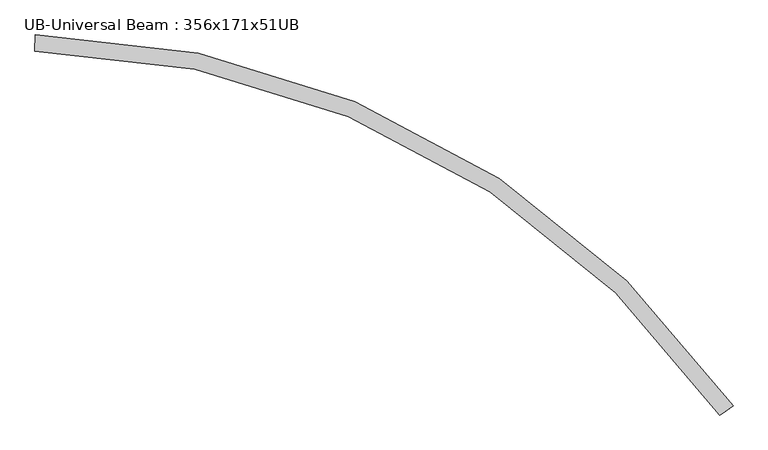
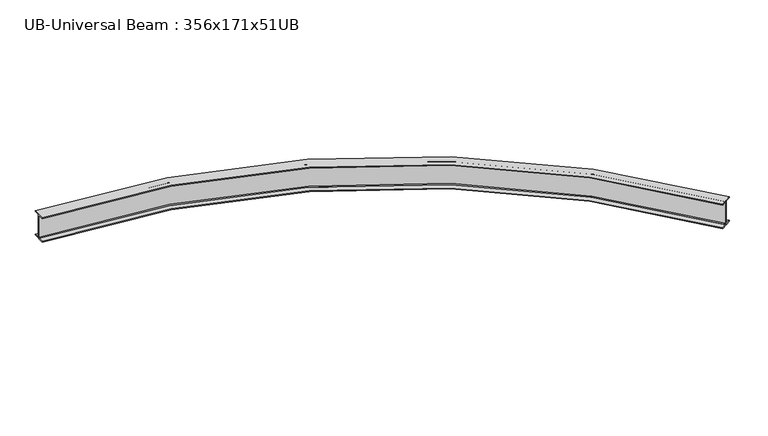
"""IFC4 building model written with IfcOpenShell, lengths in millimetres: beam geometry, UB-Universal Beam : 356x171x51UB."""

from ifc_helpers import new_model, si_unit, point, frame, origin, place, context, project, spatial, polyline, circle_curve, ellipse_curve, trimmed, source, transform, mapped, element, save
from ifc_brep_helpers import plane_surface, cylinder_surface, revolved_surface, advanced_brep


def ub_universal_beam_356x171x51ub_c824d352(model_context):
    return source(origin(), model_context, "Body", "AdvancedBrep", [
        advanced_brep(
        [(7527.6611604, -3835.7507167, -166.0), (7468.7805623, -3876.9271379, -166.0), (7460.42173, -3882.7726424, -155.8), (7460.42173, -3882.7726424, 155.8), (7468.7805623, -3876.9271379, 166.0), (7527.6611604, -3835.7507167, 166.0), (7527.6611604, -3835.7507167, 177.5), (7387.1180486, -3934.0354242, 177.5), (7387.1180486, -3934.0354242, 166.0), (7445.9986468, -3892.859003, 166.0), (7454.3574791, -3887.0134986, 155.8), (7454.3574791, -3887.0134986, -155.8), (7445.9986468, -3892.859003, -166.0), (7387.1180486, -3934.0354242, -166.0), (7387.1180486, -3934.0354242, -177.5), (7527.6611604, -3835.7507167, -177.5), (160.0882195, 84.3548943, -166.0), (160.0882195, 84.3548943, -177.5), (157.0993367, -87.1190588, -177.5), (157.0993367, -87.1190588, -166.0), (158.3515305, -15.2799711, -166.0), (158.5292949, -5.0815203, -155.8), (158.5292949, -5.0815203, 155.8), (158.3515305, -15.2799711, 166.0), (157.0993367, -87.1190588, 166.0), (157.0993367, -87.1190588, 177.5), (160.0882195, 84.3548943, 177.5), (160.0882195, 84.3548943, 166.0), (158.8360257, 12.5158067, 166.0), (158.6582613, 2.3173558, 155.8), (158.6582613, 2.3173558, -155.8), (158.8360257, 12.5158067, -166.0)],
        [
            (0, 1),
            (1, 2, circle_curve(frame((7468.7805623, -3876.9271379, -155.8), z_axis=(-0.5730886735752425, 0.8194933631334481, 0.0), x_axis=(-0.8194933631334481, -0.5730886735752425, 0.0)), 10.2)),
            (2, 3),
            (3, 4, circle_curve(frame((7468.7805623, -3876.9271379, 155.8), z_axis=(-0.5730886735752425, 0.8194933631334481, 0.0), x_axis=(-0.8194933631334481, -0.5730886735752425, 0.0)), 10.2)),
            (4, 5),
            (5, 6),
            (6, 7),
            (7, 8),
            (8, 9),
            (9, 10, circle_curve(frame((7445.9986468, -3892.859003, 155.8), z_axis=(-0.5730886735752425, 0.8194933631334481, 0.0), x_axis=(-0.8194933631334481, -0.5730886735752425, 0.0)), 10.2)),
            (10, 11),
            (11, 12, circle_curve(frame((7445.9986468, -3892.859003, -155.8), z_axis=(-0.5730886735752425, 0.8194933631334481, 0.0), x_axis=(-0.8194933631334481, -0.5730886735752425, 0.0)), 10.2)),
            (12, 13),
            (13, 14),
            (14, 15),
            (15, 0),
            (16, 17),
            (17, 18),
            (18, 19),
            (19, 20),
            (20, 21, circle_curve(frame((158.3515305, -15.2799711, -155.8), z_axis=(0.9998481228317456, -0.017427887704327995, 0.0), x_axis=(-0.017427887704327995, -0.9998481228317456, 0.0)), 10.2)),
            (21, 22),
            (22, 23, circle_curve(frame((158.3515305, -15.2799711, 155.8), z_axis=(0.9998481228317456, -0.017427887704327995, 0.0), x_axis=(-0.017427887704327995, -0.9998481228317456, 0.0)), 10.2)),
            (23, 24),
            (24, 25),
            (25, 26),
            (26, 27),
            (27, 28),
            (28, 29, circle_curve(frame((158.8360257, 12.5158067, 155.8), z_axis=(0.9998481228317456, -0.017427887704327995, 0.0), x_axis=(-0.017427887704327995, -0.9998481228317456, 0.0)), 10.2)),
            (29, 30),
            (30, 31, circle_curve(frame((158.8360257, 12.5158067, -155.8), z_axis=(0.9998481228317456, -0.017427887704327995, 0.0), x_axis=(-0.017427887704327995, -0.9998481228317456, 0.0)), 10.2)),
            (31, 16),
            (0, 16, circle_curve(frame((0.0, -9100.0, -166.0), z_axis=(0.0, 0.0, 1.0), x_axis=(0.006953150859174918, 0.9999758265543871, 0.0)), 9185.75)),
            (31, 1, circle_curve(frame((0.0, -9100.0, -166.0), z_axis=(0.0, 0.0, -1.0), x_axis=(0.006953150859174918, 0.9999758265543871, 0.0)), 9113.9)),
            (30, 2, circle_curve(frame((0.0, -9100.0, -155.8), z_axis=(0.0, 0.0, -1.0), x_axis=(0.006953150859174918, 0.9999758265543871, 0.0)), 9103.7)),
            (29, 3, circle_curve(frame((0.0, -9100.0, 155.8), z_axis=(0.0, 0.0, -1.0), x_axis=(0.006953150859174918, 0.9999758265543871, 0.0)), 9103.7)),
            (28, 4, circle_curve(frame((0.0, -9100.0, 166.0), z_axis=(0.0, 0.0, -1.0), x_axis=(0.006953150859174918, 0.9999758265543871, 0.0)), 9113.9)),
            (27, 5, circle_curve(frame((0.0, -9100.0, 166.0), z_axis=(0.0, 0.0, -1.0), x_axis=(0.006953150859174918, 0.9999758265543871, 0.0)), 9185.75)),
            (26, 6, circle_curve(frame((0.0, -9100.0, 177.5), z_axis=(0.0, 0.0, -1.0), x_axis=(0.006953150859174918, 0.9999758265543871, 0.0)), 9185.75)),
            (25, 7, circle_curve(frame((0.0, -9100.0, 177.5), z_axis=(0.0, 0.0, -1.0), x_axis=(0.006953150859174918, 0.9999758265543871, 0.0)), 9014.25)),
            (24, 8, circle_curve(frame((0.0, -9100.0, 166.0), z_axis=(0.0, 0.0, -1.0), x_axis=(0.006953150859174918, 0.9999758265543871, 0.0)), 9014.25)),
            (23, 9, circle_curve(frame((0.0, -9100.0, 166.0), z_axis=(0.0, 0.0, -1.0), x_axis=(0.006953150859174918, 0.9999758265543871, 0.0)), 9086.1)),
            (22, 10, circle_curve(frame((0.0, -9100.0, 155.8), z_axis=(0.0, 0.0, -1.0), x_axis=(0.006953150859174918, 0.9999758265543871, 0.0)), 9096.3)),
            (21, 11, circle_curve(frame((0.0, -9100.0, -155.8), z_axis=(0.0, 0.0, -1.0), x_axis=(0.006953150859174918, 0.9999758265543871, 0.0)), 9096.3)),
            (20, 12, circle_curve(frame((0.0, -9100.0, -166.0), z_axis=(0.0, 0.0, -1.0), x_axis=(0.006953150859174918, 0.9999758265543871, 0.0)), 9086.1)),
            (19, 13, circle_curve(frame((0.0, -9100.0, -166.0), z_axis=(0.0, 0.0, -1.0), x_axis=(0.006953150859174918, 0.9999758265543871, 0.0)), 9014.25)),
            (18, 14, circle_curve(frame((0.0, -9100.0, -177.5), z_axis=(0.0, 0.0, -1.0), x_axis=(0.006953150859174918, 0.9999758265543871, 0.0)), 9014.25)),
            (17, 15, circle_curve(frame((0.0, -9100.0, -177.5), z_axis=(0.0, 0.0, -1.0), x_axis=(0.006953150859174918, 0.9999758265543871, 0.0)), 9185.75)),
        ],
        [
            plane_surface(frame((7457.3896045, -3884.8930705, 0.0), z_axis=(0.5730886735752373, -0.8194933631334517, 0.0), x_axis=(0.0, 0.0, 1.0))),
            plane_surface(frame((158.5937781, -1.3820822, 0.0), z_axis=(-0.9998481228317455, 0.017427887704334212, 0.0), x_axis=(0.0, 0.0, 1.0))),
            plane_surface(frame((0.0, -9100.0, -166.0), z_axis=(0.0, 0.0, 1.0), x_axis=(0.006953150859174918, 0.9999758265543871, 0.0))),
            revolved_surface(trimmed(ellipse_curve(frame((63.3703216, 13.6796856, -155.8), z_axis=(0.9999758265543871, -0.006953150859174918, 0.0), x_axis=(-0.006953150859174918, -0.9999758265543871, 0.0)), 10.2, 10.2), [point((63.2993995, 3.4799322, -155.8))], [point((63.3703216, 13.6796856, -166.0))], True, "CARTESIAN"), (0.0, -9100.0, 0.0), (0.0, 0.0, -1.0)),
            cylinder_surface(frame((0.0, -9100.0, 0.0), z_axis=(0.0, 0.0, -1.0), x_axis=(0.006953150859174918, 0.9999758265543871, 0.0)), 9103.7),
            revolved_surface(trimmed(ellipse_curve(frame((63.3703216, 13.6796856, 155.8), z_axis=(0.9999758265543871, -0.006953150859174918, 0.0), x_axis=(-0.006953150859174918, -0.9999758265543871, 0.0)), 10.2, 10.2), [point((63.3703216, 13.6796856, 166.0))], [point((63.2993995, 3.4799322, 155.8))], True, "CARTESIAN"), (0.0, -9100.0, 0.0), (0.0, 0.0, -1.0)),
            plane_surface(frame((0.0, -9100.0, 166.0), z_axis=(0.0, 0.0, -1.0), x_axis=(0.006953150859174918, 0.9999758265543871, 0.0))),
            cylinder_surface(frame((0.0, -9100.0, 0.0), z_axis=(0.0, 0.0, -1.0), x_axis=(0.006953150859174918, 0.9999758265543871, 0.0)), 9185.75),
            plane_surface(frame((0.0, -9100.0, 177.5), z_axis=(0.0, 0.0, 1.0), x_axis=(0.006953150859174918, 0.9999758265543871, 0.0))),
            revolved_surface(polyline([(62.6774401323175, -85.96790548211538, 166.0), (62.6774401323175, -85.96790548211538, 177.5)]), (0.0, -9100.0, 0.0), (0.0, 0.0, -1.0)),
            revolved_surface(trimmed(ellipse_curve(frame((63.177024, -14.1196423, 155.8), z_axis=(0.9999758265543871, -0.006953150859174918, 0.0), x_axis=(-0.006953150859174918, -0.9999758265543871, 0.0)), 10.2, 10.2), [point((63.2479462, -3.9198889, 155.8))], [point((63.177024, -14.1196423, 166.0))], True, "CARTESIAN"), (0.0, -9100.0, 0.0), (0.0, 0.0, -1.0)),
            revolved_surface(polyline([(63.2479461603128, -3.919888913329487, -155.8), (63.2479461603128, -3.919888913329487, 155.8)]), (0.0, -9100.0, 0.0), (0.0, 0.0, -1.0)),
            revolved_surface(trimmed(ellipse_curve(frame((63.177024, -14.1196423, -155.8), z_axis=(0.9999758265543871, -0.006953150859174918, 0.0), x_axis=(-0.006953150859174918, -0.9999758265543871, 0.0)), 10.2, 10.2), [point((63.177024, -14.1196423, -166.0))], [point((63.2479462, -3.9198889, -155.8))], True, "CARTESIAN"), (0.0, -9100.0, 0.0), (0.0, 0.0, -1.0)),
            revolved_surface(polyline([(62.6774401323175, -85.96790548211538, -177.5), (62.6774401323175, -85.96790548211538, -166.0)]), (0.0, -9100.0, 0.0), (0.0, 0.0, -1.0)),
            plane_surface(frame((0.0, -9100.0, -177.5), z_axis=(0.0, 0.0, -1.0), x_axis=(0.006953150859174918, 0.9999758265543871, 0.0))),
        ],
        [
            (0, [[1, 2, 3, 4, 5, 6, 7, 8, 9, 10, 11, 12, 13, 14, 15, 16]]),
            (1, [[17, 18, 19, 20, 21, 22, 23, 24, 25, 26, 27, 28, 29, 30, 31, 32]]),
            (2, [[-1, 33, -32, 34]]),
            (3, [[-2, -34, -31, 35]]),
            (4, [[-3, -35, -30, 36]]),
            (5, [[-4, -36, -29, 37]]),
            (6, [[-5, -37, -28, 38]]),
            (7, [[-6, -38, -27, 39]]),
            (8, [[-7, -39, -26, 40]]),
            (9, [[-8, -40, -25, 41]]),
            (6, [[-9, -41, -24, 42]]),
            (10, [[-10, -42, -23, 43]]),
            (11, [[-11, -43, -22, 44]]),
            (12, [[-12, -44, -21, 45]]),
            (2, [[-13, -45, -20, 46]]),
            (13, [[-14, -46, -19, 47]]),
            (14, [[-15, -47, -18, 48]]),
            (7, [[-16, -48, -17, -33]]),
        ],
    ),
    ])


if __name__ == "__main__":
    model = new_model("IFC4")
    model_context = context("Model", 3, world=origin())
    ifc_project = project(units=[si_unit("LENGTHUNIT", "METRE", prefix="MILLI")], contexts=[model_context])
    site = spatial("IfcSite", under=ifc_project)
    building = spatial("IfcBuilding", under=site)
    placement = place(None, origin())
    ub_universal_beam_356x171x51ub_shape = ub_universal_beam_356x171x51ub_c824d352(model_context)
    element("IfcBeam", 1, ObjectType="UB-Universal Beam : 356x171x51UB", at=placement, inside=building, context=model_context, shape_type="MappedRepresentation", body=[
        mapped(ub_universal_beam_356x171x51ub_shape, transform((0.0, 0.0, 0.0), x_axis=(1.0, 0.0, 0.0), y_axis=(0.0, 1.0, 0.0), z_axis=(0.0, 0.0, 1.0))),
    ])
    save(model, "model.ifc")
